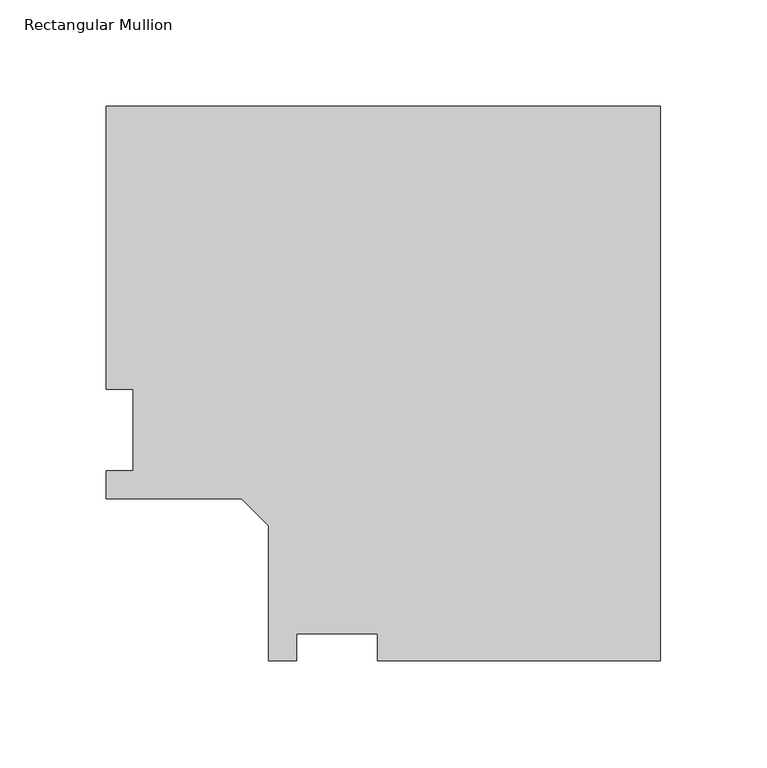
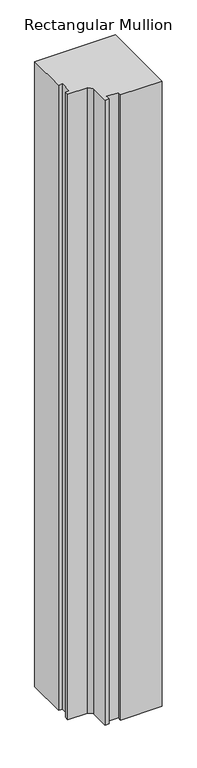
"""IFC4 building model written with IfcOpenShell, lengths in millimetres: member geometry, Rectangular Mullion."""

from ifc_helpers import new_model, si_unit, frame, origin, place, context, project, spatial, polyline, outline, extrude, source, transform, mapped, element, save


def rectangular_mullion_ef5a907e(model_context):
    return source(origin(), model_context, "Body", "SweptSolid", [
        extrude(outline(polyline([(0.0, -76.1865063), (-132.9436, -76.1865063), (-132.9436, -63.4865063), (-171.0436, -63.4865063), (-171.0436, -76.1865063), (-184.2262, -76.1865063), (-184.2262, -12.6865063), (-196.9262, 0.0134937), (-260.4262, 0.0134937), (-260.4262, 13.1960937), (-247.7262, 13.1960937), (-247.7262, 51.2960937), (-260.4262, 51.2960937), (-260.4262, 184.2396937), (0.0, 184.2396937), (0.0, -76.1865063)])), frame((0.0, 0.0, -2133.6), z_axis=(0.0, 0.0, 1.0), x_axis=(1.0, 0.0, 0.0)), (0.0, 0.0, 1.0), 2133.6),
    ])


if __name__ == "__main__":
    model = new_model("IFC4")
    model_context = context("Model", 3, world=origin())
    ifc_project = project(units=[si_unit("LENGTHUNIT", "METRE", prefix="MILLI")], contexts=[model_context])
    site = spatial("IfcSite", under=ifc_project)
    building = spatial("IfcBuilding", under=site)
    placement = place(None, origin())
    rectangular_mullion_shape = rectangular_mullion_ef5a907e(model_context)
    element("IfcMember", 1, ObjectType="Rectangular Mullion", at=placement, inside=building, context=model_context, shape_type="MappedRepresentation", body=[
        mapped(rectangular_mullion_shape, transform((0.0, 0.0, 0.0), x_axis=(1.0, 0.0, 0.0), y_axis=(0.0, 1.0, 0.0), z_axis=(0.0, 0.0, 1.0))),
    ])
    save(model, "model.ifc")
